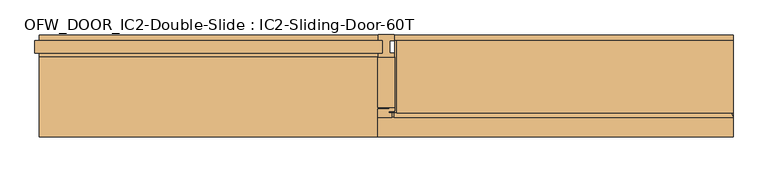
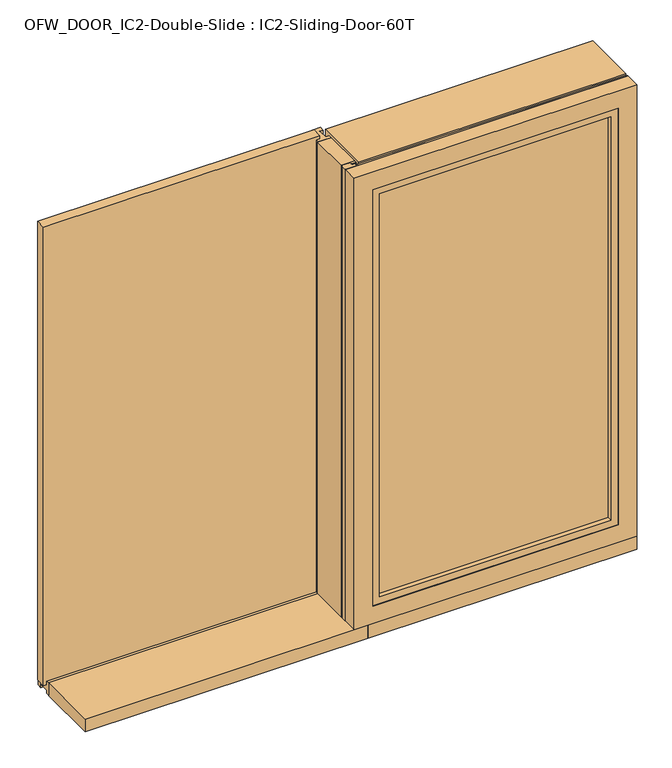
"""IFC4 building model written with IfcOpenShell, lengths in millimetres: door geometry, OFW_DOOR_IC2-Double-Slide : IC2-Sliding-Door-60T."""

import ifcopenshell
import ifcopenshell.guid

model = None  # the IFC model being written
_history = None  # IfcOwnerHistory: only IFC2X3 demands one
_inside = {}  # id of a spatial element -> (the spatial element, [elements in it])
_under = {}  # id of a project, library or spatial element -> (it, [spatial elements below it])
_declared = {}  # id of a project -> (the project, [libraries it declares])
_typed = {}  # id of a type object -> (the type object, [elements of that type])
_made_of = {}  # id of a material, layer set ... -> (it, [elements and type objects made of it])


def new_model(schema):
    """Start an empty IFC model of exactly this schema.

    Asked for "IFC4X3", IfcOpenShell would pick the latest addendum, in which some entities
    have other attributes; the version numbers below select the first issue.
    IFC2X3 requires an IfcOwnerHistory on every rooted entity: one is made here for all.
    """
    global model, _history
    if schema == "IFC4X3":
        model = ifcopenshell.file(schema_version=(4, 3, 0, 0))
    else:
        model = ifcopenshell.file(schema=schema)
    _inside.clear()
    _under.clear()
    _declared.clear()
    _typed.clear()
    _made_of.clear()
    _history = None
    if model.schema == "IFC2X3":
        org = make("IfcOrganization", Name="unknown")
        user = make(
            "IfcPersonAndOrganization",
            ThePerson=make("IfcPerson", FamilyName="unknown"),
            TheOrganization=org,
        )
        app = make(
            "IfcApplication",
            ApplicationDeveloper=org,
            Version="unknown",
            ApplicationFullName="unknown",
            ApplicationIdentifier="unknown",
        )
        _history = make(
            "IfcOwnerHistory",
            OwningUser=user,
            OwningApplication=app,
            ChangeAction="ADDED",
            CreationDate=0,
        )
    return model


def make(cls, **values):
    """One entity of the class cls with the attributes given. An attribute that is None is left unset."""
    return model.create_entity(
        cls, **{name: value for name, value in values.items() if value is not None}
    )


def rooted(cls, **values):
    """An entity with a GlobalId (a new one), such as an element, a storey or a relation."""
    return make(cls, GlobalId=ifcopenshell.guid.new(), OwnerHistory=_history, **values)


def si_unit(unit_type, name, prefix=None):
    """IfcSIUnit, for example si_unit("LENGTHUNIT", "METRE", prefix="MILLI")."""
    return make("IfcSIUnit", UnitType=unit_type, Prefix=prefix, Name=name)


def assignment(units):
    """IfcUnitAssignment: the units of a project."""
    return None if units is None else make("IfcUnitAssignment", Units=units)


def point(xyz):
    """IfcCartesianPoint."""
    return None if xyz is None else make("IfcCartesianPoint", Coordinates=xyz)


def direction(xyz):
    """IfcDirection."""
    return None if xyz is None else make("IfcDirection", DirectionRatios=xyz)


def frame(location, z_axis=None, x_axis=None):
    """IfcAxis2Placement3D, a coordinate frame: its origin and axes. An axis left out is left unset."""
    return make(
        "IfcAxis2Placement3D",
        Location=point(location),
        Axis=direction(z_axis),
        RefDirection=direction(x_axis),
    )


def frame_2d(location, x_axis=None):
    """IfcAxis2Placement2D, a coordinate frame in the plane: its origin and x axis."""
    return make(
        "IfcAxis2Placement2D", Location=point(location), RefDirection=direction(x_axis)
    )


def origin():
    """The frame at (0, 0, 0) with its axes left unset."""
    return frame((0.0, 0.0, 0.0))


def origin_with_axes():
    """The frame at (0, 0, 0) with the z axis (0, 0, 1) and the x axis (1, 0, 0) written out."""
    return frame((0.0, 0.0, 0.0), z_axis=(0.0, 0.0, 1.0), x_axis=(1.0, 0.0, 0.0))


def place(relative_to, where):
    """IfcLocalPlacement: puts the frame where relative to a parent placement (None: the world)."""
    return make(
        "IfcLocalPlacement", PlacementRelTo=relative_to, RelativePlacement=where
    )


def context(
    kind, dimensions, precision=None, world=None, true_north=None, identifier=None
):
    """IfcGeometricRepresentationContext, for example the 3D "Model" context."""
    return make(
        "IfcGeometricRepresentationContext",
        ContextIdentifier=identifier,
        ContextType=kind,
        CoordinateSpaceDimension=dimensions,
        Precision=precision,
        WorldCoordinateSystem=world,
        TrueNorth=true_north,
    )


def project(units=None, contexts=None):
    """IfcProject with its units and contexts."""
    return rooted(
        "IfcProject",
        Name="project",
        RepresentationContexts=contexts,
        UnitsInContext=assignment(units),
    )


def spatial(cls, under=None, at=None, **own):
    """A site, building, storey or space (cls), placed at a placement, below another one or the project."""
    s = rooted(cls, ObjectPlacement=at, **own)
    if under is not None:
        _under.setdefault(under.id(), (under, []))[1].append(s)
    return s


def polyline(points):
    """IfcPolyline through the points."""
    return make("IfcPolyline", Points=[point(p) for p in points])


def circle_curve(where, radius):
    """IfcCircle in the frame where."""
    return make("IfcCircle", Position=where, Radius=radius)


def trimmed(basis, trim1, trim2, sense, master):
    """IfcTrimmedCurve: the piece of a basis curve between two trims."""
    return make(
        "IfcTrimmedCurve",
        BasisCurve=basis,
        Trim1=trim1,
        Trim2=trim2,
        SenseAgreement=sense,
        MasterRepresentation=master,
    )


def segment(curve, same_sense, transition):
    """IfcCompositeCurveSegment."""
    return make(
        "IfcCompositeCurveSegment",
        Transition=transition,
        SameSense=same_sense,
        ParentCurve=curve,
    )


def composite_curve(segments, self_intersect=None):
    """IfcCompositeCurve: segments joined end to end."""
    return make("IfcCompositeCurve", Segments=segments, SelfIntersect=self_intersect)


def outline(outer, holes=None, kind="AREA"):
    """IfcArbitraryClosedProfileDef: a profile drawn as a closed curve; with holes, ...WithVoids."""
    if holes is None:
        return make("IfcArbitraryClosedProfileDef", ProfileType=kind, OuterCurve=outer)
    return make(
        "IfcArbitraryProfileDefWithVoids",
        ProfileType=kind,
        OuterCurve=outer,
        InnerCurves=holes,
    )


def extrude(swept, where, along, depth):
    """IfcExtrudedAreaSolid: the profile swept, set in the frame where, extruded along a direction by depth."""
    return make(
        "IfcExtrudedAreaSolid",
        SweptArea=swept,
        Position=where,
        ExtrudedDirection=direction(along),
        Depth=depth,
    )


def faces_of(points, faces, orient=None, outer=None):
    """IfcFace entities. A face is a list of loops; a loop is a list of indices into points, from 0.

    orient and outer hold one flag for each loop. By default every Orientation is true, the
    first loop of a face is its IfcFaceOuterBound and the others are IfcFaceBound.
    """
    made = []
    for i, loops in enumerate(faces):
        bounds = []
        for j, loop in enumerate(loops):
            is_outer = j == 0 if outer is None else outer[i][j]
            bounds.append(
                make(
                    "IfcFaceOuterBound" if is_outer else "IfcFaceBound",
                    Bound=make("IfcPolyLoop", Polygon=[points[k] for k in loop]),
                    Orientation=True if orient is None else orient[i][j],
                )
            )
        made.append(make("IfcFace", Bounds=bounds))
    return made


def faceted_brep(points, faces, orient=None, outer=None, voids=None):
    """IfcFacetedBrep: a solid bounded by flat faces; with voids (closed shells), ...WithVoids."""
    shared = [point(p) for p in points]
    hull = make("IfcClosedShell", CfsFaces=faces_of(shared, faces, orient, outer))
    if voids is None:
        return make("IfcFacetedBrep", Outer=hull)
    return make(
        "IfcFacetedBrepWithVoids",
        Outer=hull,
        Voids=[
            make(cls, CfsFaces=faces_of(shared, fs, o, b)) for cls, fs, o, b in voids
        ],
    )


def shape(context_of_items, identifier, shape_type, items):
    """IfcShapeRepresentation: the items that make up one representation, for example the "Body"."""
    return make(
        "IfcShapeRepresentation",
        ContextOfItems=context_of_items,
        RepresentationIdentifier=identifier,
        RepresentationType=shape_type,
        Items=items,
    )


def source(mapping_origin, context_of_items, identifier, shape_type, items):
    """IfcRepresentationMap: a shape defined once, which mapped items show again and again."""
    return make(
        "IfcRepresentationMap",
        MappingOrigin=mapping_origin,
        MappedRepresentation=shape(context_of_items, identifier, shape_type, items),
    )


def transform(
    local_origin,
    x_axis=None,
    y_axis=None,
    z_axis=None,
    scale=None,
    scale2=None,
    scale3=None,
    uniform=True,
):
    """IfcCartesianTransformationOperator3D, or its non-uniform kind. x_axis, y_axis, z_axis: its Axis1, 2, 3."""
    if uniform:
        return make(
            "IfcCartesianTransformationOperator3D",
            Axis1=direction(x_axis),
            Axis2=direction(y_axis),
            LocalOrigin=point(local_origin),
            Scale=scale,
            Axis3=direction(z_axis),
        )
    return make(
        "IfcCartesianTransformationOperator3DnonUniform",
        Axis1=direction(x_axis),
        Axis2=direction(y_axis),
        LocalOrigin=point(local_origin),
        Scale=scale,
        Axis3=direction(z_axis),
        Scale2=scale2,
        Scale3=scale3,
    )


def mapped(mapping_source, mapping_target):
    """IfcMappedItem: shows the shape of a source again, moved by a transform."""
    return make(
        "IfcMappedItem", MappingSource=mapping_source, MappingTarget=mapping_target
    )


def made_of(thing, what):
    """Note that an element or type object is made of a material, layer set ...; save() writes the relation."""
    if what is not None:
        _made_of.setdefault(what.id(), (what, []))[1].append(thing)
    return thing


def element(
    cls,
    number,
    at=None,
    inside=None,
    cuts=None,
    type_object=None,
    material=None,
    context=None,
    identifier="Body",
    shape_type=None,
    held_by="IfcProductDefinitionShape",
    body=None,
    shapes=None,
    **own,
):
    """One element of the class cls, such as IfcWall. Its Tag is "e" and its number.

    at: its placement. inside: the storey or other place that contains it. cuts: it is an
    opening in that element (IfcRelVoidsElement). A single representation is given by context,
    identifier, shape_type and body (its items); several are given by shapes. held_by: the class
    of the entity that holds the representations. save() writes the other relations.
    """
    e = rooted(cls, Tag="e%d" % number, ObjectPlacement=at, **own)
    if body is not None:
        shapes = [shape(context, identifier, shape_type, body)]
    if shapes is not None:
        e.Representation = make(held_by, Representations=shapes)
    if inside is not None:
        _inside.setdefault(inside.id(), (inside, []))[1].append(e)
    if cuts is not None:
        rooted(
            "IfcRelVoidsElement", RelatingBuildingElement=cuts, RelatedOpeningElement=e
        )
    if type_object is not None:
        _typed.setdefault(type_object.id(), (type_object, []))[1].append(e)
    return made_of(e, material)


def aggregate(whole, parts):
    """IfcRelAggregates: a whole, such as a stair, and the parts it consists of."""
    return rooted("IfcRelAggregates", RelatingObject=whole, RelatedObjects=parts)


def save(model, path):
    """Write the relations noted so far, then the file.

    IfcRelAggregates (storeys below a building ...), IfcRelContainedInSpatialStructure (elements
    in a storey), IfcRelDefinesByType, IfcRelAssociatesMaterial and IfcRelDeclares: one each for
    every whole, place, type object, material and project.
    """
    for whole, parts in _under.values():
        aggregate(whole, parts)
    for where, things in _inside.values():
        rooted(
            "IfcRelContainedInSpatialStructure",
            RelatedElements=things,
            RelatingStructure=where,
        )
    for kind, things in _typed.values():
        rooted("IfcRelDefinesByType", RelatedObjects=things, RelatingType=kind)
    for what, things in _made_of.values():
        rooted("IfcRelAssociatesMaterial", RelatedObjects=things, RelatingMaterial=what)
    for by, libraries in _declared.values():
        rooted("IfcRelDeclares", RelatingContext=by, RelatedDefinitions=libraries)
    model.write(path)


def ofw_door_ic2_double_slide_ic2_sliding_door_60t_5500a0c7(model_context):
    return source(origin(), model_context, "Body", "SolidModel", [
        faceted_brep([(28.0, 0.0, 2170.0), (13.0, 0.0, 2170.0), (13.0, 0.0, 17.0), (-1220.0, 0.0, 17.0), (-1220.0, 0.0, 2.0), (28.0, 0.0, 2.0), (13.0, -44.0, 2170.0), (13.0, -44.0, 17.0), (-1220.0, -44.0, 17.0), (-1220.0, -44.0, 2.0), (-1220.0, -59.0, 2.0), (-1220.0, -59.0, 58.0), (-1220.0, -44.0, 58.0), (-1220.0, -44.0, 43.0), (-1220.0, 0.0, 43.0), (-1220.0, 0.0, 58.0), (-1220.0, 20.0, 58.0), (-1220.0, 20.0, 2.0), (28.0, 20.0, 2.0), (28.0, 20.0, 2170.0), (-28.0, 20.0, 2170.0), (-28.0, 20.0, 58.0), (-28.0, 0.0, 58.0), (-28.0, 0.0, 2170.0), (-13.0, 0.0, 2170.0), (-13.0, 0.0, 43.0), (-13.0, -44.0, 43.0), (-13.0, -44.0, 2170.0), (-28.0, -44.0, 2170.0), (-28.0, -44.0, 58.0), (-28.0, -59.0, 58.0), (-28.0, -59.0, 2170.0), (28.0, -59.0, 2170.0), (28.0, -59.0, 2.0), (28.0, -44.0, 2.0), (28.0, -44.0, 2170.0)], [[[0, 1, 2, 3, 4, 5]], [[1, 6, 7, 2]], [[2, 7, 8, 3]], [[3, 8, 9, 10, 11, 12, 13, 14, 15, 16, 17, 4]], [[18, 5, 4, 17]], [[19, 0, 5, 18]], [[20, 19, 18, 17, 16, 21]], [[22, 21, 16, 15]], [[23, 20, 21, 22]], [[24, 23, 22, 15, 14, 25]], [[26, 25, 14, 13]], [[27, 24, 25, 26]], [[28, 27, 26, 13, 12, 29]], [[30, 29, 12, 11]], [[31, 28, 29, 30]], [[32, 31, 30, 11, 10, 33]], [[34, 33, 10, 9]], [[35, 32, 33, 34]], [[6, 35, 34, 9, 8, 7]], [[1, 0, 19, 20, 23, 24, 27, 28, 31, 32, 35, 6]]]),
        extrude(outline(polyline([(-13.0, -44.0), (-1235.0, -44.0), (-1235.0, 0.0), (-13.0, 0.0), (-13.0, -44.0)])), frame((0.0, 0.0, 43.0), z_axis=(0.0, 0.0, 1.0), x_axis=(1.0, 0.0, 0.0)), (0.0, 0.0, 1.0), 2142.0),
        extrude(outline(polyline([(30.0, -59.0), (30.0, -237.0), (-30.0, -237.0), (-30.0, -59.0), (30.0, -59.0)])), frame((0.0, 0.0, 60.0), z_axis=(0.0, 0.0, 1.0), x_axis=(1.0, 0.0, 0.0)), (0.0, 0.0, 1.0), 2110.0),
        extrude(outline(polyline([(1121.0, -271.0), (1121.0, -315.0), (69.0, -315.0), (69.0, -271.0), (1121.0, -271.0)])), frame((0.0, 0.0, 173.0), z_axis=(0.0, 0.0, 1.0), x_axis=(1.0, 0.0, 0.0)), (0.0, 0.0, 1.0), 1903.0),
        extrude(outline(polyline([(-254.9999931, 2130.0), (0.0, 2130.0), (0.0, 44.5415691), (-254.9999931, 46.2425671), (-254.9999931, 2130.0)])), frame((1200.0, 0.0, 0.0), z_axis=(1.0, 0.0, 0.0), x_axis=(0.0, 1.0, 0.0)), (0.0, 0.0, 1.0), 20.0),
        extrude(outline(polyline([(-255.0018977, 2130.0), (0.0, 2130.0), (0.0, 44.6613586), (-255.0018977, 45.954372), (-255.0018977, 2130.0)])), frame((30.0, 0.0, 0.0), z_axis=(1.0, 0.0, 0.0), x_axis=(0.0, 1.0, 0.0)), (0.0, 0.0, 1.0), 20.600008),
        extrude(outline(polyline([(1220.0, 0.0), (1220.0, -254.9999931), (38.0, -254.9999931), (38.0, 0.0), (1220.0, 0.0)])), frame((0.0, 0.0, 2130.0), z_axis=(0.0, 0.0, 1.0), x_axis=(1.0, 0.0, 0.0)), (0.0, 0.0, 1.0), 40.0),
        faceted_brep([(83.0, -254.9999931, 65.9356047), (83.0, -271.0, 60.1120784), (83.0, -271.0, 173.8827413), (83.0, -254.9999931, 168.0592151), (1219.8879216, -271.0, 60.1120784), (1214.0643953, -254.9999931, 65.9356047), (1214.0643953, -254.9999931, 2164.0643953), (1219.8879216, -271.0, 2169.8879216), (1111.9407849, -254.9999931, 168.0592151), (1106.1172587, -271.0, 173.8827413), (1106.1172587, -271.0, 2056.1172587), (1111.9407849, -254.9999931, 2061.9407849), (28.0, -254.9999931, 2164.0643953), (28.0, -254.9999931, 2061.9407849), (28.0, -271.0, 2056.1172587), (28.0, -271.0, 2169.8879216)], [[[0, 1, 2, 3]], [[4, 5, 6, 7]], [[8, 9, 10, 11]], [[12, 13, 14, 15]], [[7, 6, 12, 15]], [[11, 10, 14, 13]], [[1, 0, 5, 4]], [[2, 1, 4, 7, 15, 14, 10, 9]], [[3, 2, 9, 8]], [[0, 3, 8, 11, 13, 12, 6, 5]]]),
        extrude(outline(polyline([(19.9995212, -271.0), (19.9995212, -254.9999931), (83.0, -254.9999931), (83.0, -271.0), (19.9995212, -271.0)])), frame((0.0, 0.0, 47.0), z_axis=(0.0, 0.0, 1.0), x_axis=(1.0, 0.0, 0.0)), (0.0, 0.0, 1.0), 2014.9407849),
        extrude(outline(composite_curve([segment(polyline([(11.0, -241.0), (11.0, -237.0), (30.0, -237.0), (30.0, -246.3250393)]), True, "CONTINUOUS"), segment(trimmed(circle_curve(frame_2d((26.825, -246.3250393)), 3.175), [point((30.0, -246.3250393))], [point((26.825, -249.5000393))], False, "CARTESIAN"), True, "CONTINUOUS"), segment(polyline([(26.825, -249.5000393), (8.4992, -249.5000393), (8.4992, -255.0018977), (19.9995212, -255.0018977), (19.9995212, -271.0), (-26.825, -271.0)]), True, "CONTINUOUS"), segment(trimmed(circle_curve(frame_2d((-26.825, -267.825)), 3.175), [point((-26.825, -271.0))], [point((-30.0, -267.825))], False, "CARTESIAN"), True, "CONTINUOUS"), segment(polyline([(-30.0, -267.825), (-30.0, -244.175)]), True, "CONTINUOUS"), segment(trimmed(circle_curve(frame_2d((-26.825, -244.175)), 3.175), [point((-30.0, -244.175))], [point((-26.825, -241.0))], False, "CARTESIAN"), True, "CONTINUOUS"), segment(polyline([(-26.825, -241.0), (11.0, -241.0)]), True, "CONTINUOUS")], self_intersect=False)), frame((0.0, 0.0, 47.0), z_axis=(0.0, 0.0, 1.0), x_axis=(1.0, 0.0, 0.0)), (0.0, 0.0, 1.0), 2123.0),
        extrude(outline(polyline([(-1220.0, -59.0), (30.0, -59.0), (30.0, -339.0), (-1220.0, -339.0), (-1220.0, -59.0)])), origin_with_axes(), (0.0, 0.0, 1.0), 60.0),
        extrude(outline(polyline([(16.6270404, 0.0), (16.6270404, 40.0), (-296.0, 47.0), (-296.0, 50.0007519), (20.0, 42.9252283), (20.0, 0.0), (16.6270404, 0.0)])), frame((30.0, 0.0, 0.0), z_axis=(1.0, 0.0, 0.0), x_axis=(0.0, 1.0, 0.0)), (0.0, 0.0, 1.0), 1190.0),
        extrude(outline(polyline([(-339.0, 0.0), (-339.0, 60.0), (-296.0, 60.0), (-296.0, 47.0), (16.6270404, 40.0), (16.6270404, 0.0), (-339.0, 0.0)])), frame((30.0, 0.0, 0.0), z_axis=(1.0, 0.0, 0.0), x_axis=(0.0, 1.0, 0.0)), (0.0, 0.0, 1.0), 1190.0),
        faceted_brep([(-30.0, -339.0, 2170.0), (-30.0, -271.0, 2170.0), (-30.0, -271.0, 60.0), (-30.0, -339.0, 60.0), (52.0, -336.0, 2088.0), (52.0, -339.0, 2088.0), (52.0, -339.0, 142.0), (52.0, -336.0, 142.0), (83.0, -298.0, 2057.0), (83.0, -336.0, 2057.0), (83.0, -336.0, 173.0), (83.0, -298.0, 173.0), (64.0, -271.0, 2076.0), (64.0, -298.0, 2076.0), (64.0, -298.0, 154.0), (64.0, -271.0, 154.0), (1220.0, -271.0, 60.0), (1220.0, -339.0, 60.0), (1138.0, -339.0, 142.0), (1138.0, -336.0, 142.0), (1107.0, -336.0, 173.0), (1107.0, -298.0, 173.0), (1126.0, -298.0, 154.0), (1126.0, -271.0, 154.0), (1220.0, -271.0, 2170.0), (1220.0, -339.0, 2170.0), (1138.0, -339.0, 2088.0), (1138.0, -336.0, 2088.0), (1107.0, -336.0, 2057.0), (1107.0, -298.0, 2057.0), (1126.0, -298.0, 2076.0), (1126.0, -271.0, 2076.0)], [[[0, 1, 2, 3]], [[4, 5, 6, 7]], [[8, 9, 10, 11]], [[12, 13, 14, 15]], [[3, 2, 16, 17]], [[7, 6, 18, 19]], [[11, 10, 20, 21]], [[15, 14, 22, 23]], [[17, 16, 24, 25]], [[19, 18, 26, 27]], [[21, 20, 28, 29]], [[23, 22, 30, 31]], [[25, 24, 1, 0]], [[3, 17, 25, 0], [5, 26, 18, 6]], [[27, 26, 5, 4]], [[7, 19, 27, 4], [9, 28, 20, 10]], [[29, 28, 9, 8]], [[13, 30, 22, 14], [11, 21, 29, 8]], [[31, 30, 13, 12]], [[1, 24, 16, 2], [15, 23, 31, 12]]]),
    ])


if __name__ == "__main__":
    model = new_model("IFC4")
    model_context = context("Model", 3, world=origin())
    ifc_project = project(units=[si_unit("LENGTHUNIT", "METRE", prefix="MILLI")], contexts=[model_context])
    site = spatial("IfcSite", under=ifc_project)
    building = spatial("IfcBuilding", under=site)
    placement = place(None, origin())
    ofw_door_ic2_double_slide_ic2_sliding_door_60t_shape = ofw_door_ic2_double_slide_ic2_sliding_door_60t_5500a0c7(model_context)
    element("IfcDoor", 1, ObjectType="OFW_DOOR_IC2-Double-Slide : IC2-Sliding-Door-60T", at=placement, inside=building, context=model_context, shape_type="MappedRepresentation", body=[
        mapped(ofw_door_ic2_double_slide_ic2_sliding_door_60t_shape, transform((0.0, 0.0, 0.0), x_axis=(1.0, 0.0, 0.0), y_axis=(0.0, 1.0, 0.0), z_axis=(0.0, 0.0, 1.0))),
    ])
    save(model, "model.ifc")
